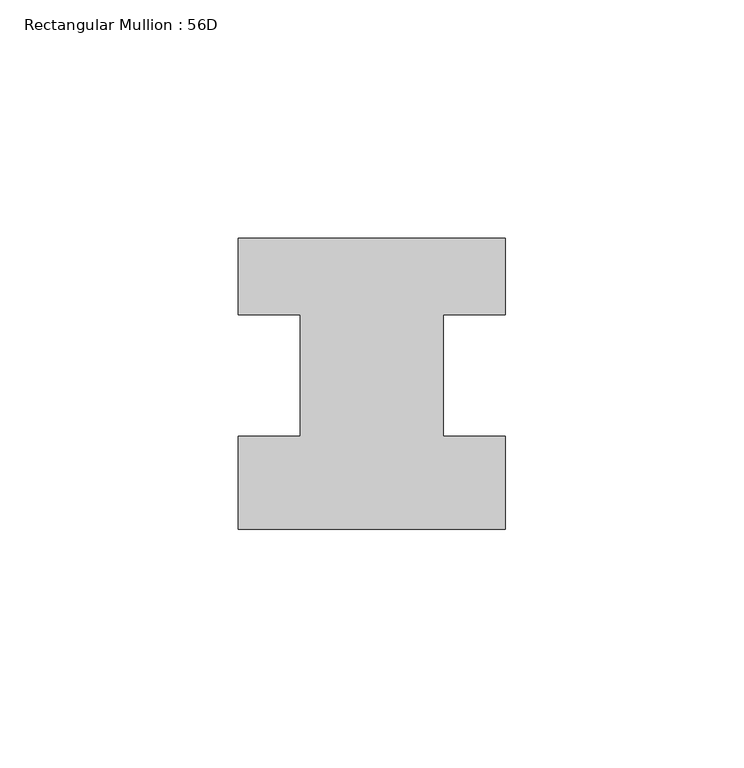
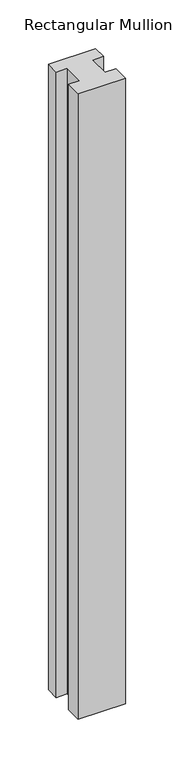
"""IFC4 building model written with IfcOpenShell, lengths in millimetres: member geometry, Rectangular Mullion : 56D."""

from ifc_helpers import new_model, si_unit, frame, origin, place, context, project, spatial, polyline, outline, extrude, source, transform, mapped, element, save


def rectangular_mullion_56d_d2cf7bf0(model_context):
    return source(origin(), model_context, "Body", "SweptSolid", [
        extrude(outline(polyline([(28.0, -20.0), (-28.0, -20.0), (-28.0, -0.5), (-15.0, -0.5), (-15.0, 25.0), (-28.0, 25.0), (-28.0, 41.0), (28.0, 41.0), (28.0, 25.0), (15.0, 25.0), (15.0, -0.5), (28.0, -0.5), (28.0, -20.0)])), frame((0.0, 0.0, -784.4391027), z_axis=(0.0, 0.0, 1.0), x_axis=(1.0, 0.0, 0.0)), (0.0, 0.0, 1.0), 784.4391027),
    ])


if __name__ == "__main__":
    model = new_model("IFC4")
    model_context = context("Model", 3, world=origin())
    ifc_project = project(units=[si_unit("LENGTHUNIT", "METRE", prefix="MILLI")], contexts=[model_context])
    site = spatial("IfcSite", under=ifc_project)
    building = spatial("IfcBuilding", under=site)
    placement = place(None, origin())
    rectangular_mullion_56d_shape = rectangular_mullion_56d_d2cf7bf0(model_context)
    element("IfcMember", 1, ObjectType="Rectangular Mullion : 56D", at=placement, inside=building, context=model_context, shape_type="MappedRepresentation", body=[
        mapped(rectangular_mullion_56d_shape, transform((0.0, 0.0, 0.0), x_axis=(1.0, 0.0, 0.0), y_axis=(0.0, 1.0, 0.0), z_axis=(0.0, 0.0, 1.0))),
    ])
    save(model, "model.ifc")
